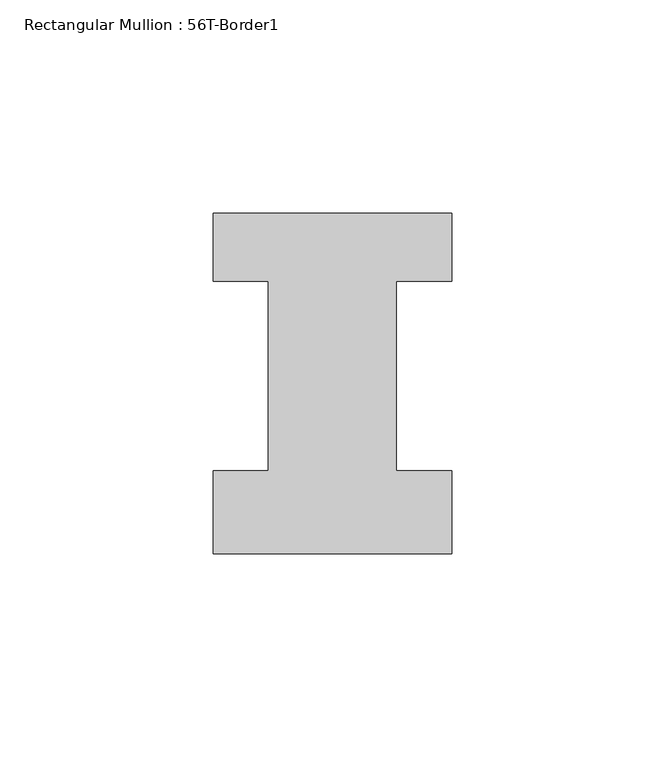
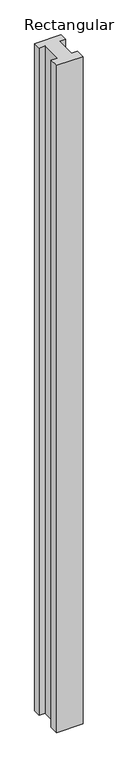
"""IFC4 building model written with IfcOpenShell, lengths in millimetres: member geometry, Rectangular Mullion : 56T-Border1."""

from ifc_helpers import new_model, si_unit, frame, origin, place, context, project, spatial, polyline, outline, extrude, source, transform, mapped, element, save


def rectangular_mullion_56t_border1_c4513cf6(model_context):
    return source(origin(), model_context, "Body", "SweptSolid", [
        extrude(outline(polyline([(-56.0, -20.0), (-56.0, -0.5), (-43.0, -0.5), (-43.0, 44.0), (-56.0, 44.0), (-56.0, 60.0), (0.0, 60.0), (0.0, 44.0), (-13.0, 44.0), (-13.0, -0.5), (0.0, -0.5), (0.0, -20.0), (-56.0, -20.0)])), frame((0.0, 0.0, -1494.0), z_axis=(0.0, 0.0, 1.0), x_axis=(1.0, 0.0, 0.0)), (0.0, 0.0, 1.0), 1494.0),
    ])


if __name__ == "__main__":
    model = new_model("IFC4")
    model_context = context("Model", 3, world=origin())
    ifc_project = project(units=[si_unit("LENGTHUNIT", "METRE", prefix="MILLI")], contexts=[model_context])
    site = spatial("IfcSite", under=ifc_project)
    building = spatial("IfcBuilding", under=site)
    placement = place(None, origin())
    rectangular_mullion_56t_border1_shape = rectangular_mullion_56t_border1_c4513cf6(model_context)
    element("IfcMember", 1, ObjectType="Rectangular Mullion : 56T-Border1", at=placement, inside=building, context=model_context, shape_type="MappedRepresentation", body=[
        mapped(rectangular_mullion_56t_border1_shape, transform((0.0, 0.0, 0.0), x_axis=(1.0, 0.0, 0.0), y_axis=(0.0, 1.0, 0.0), z_axis=(0.0, 0.0, 1.0))),
    ])
    save(model, "model.ifc")
